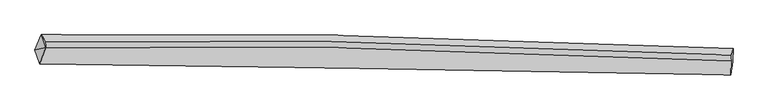
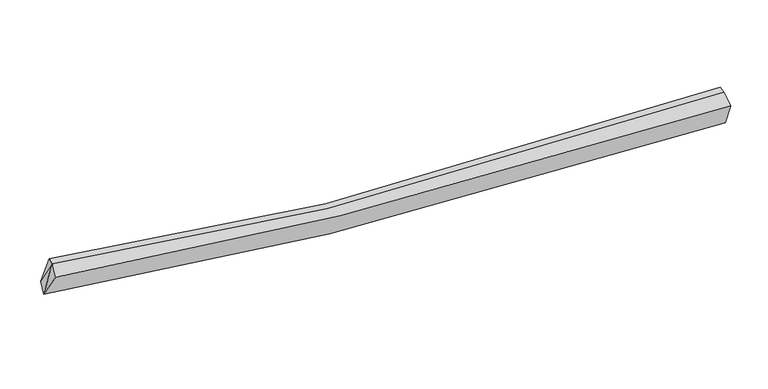
"""IFC4 building model written with IfcOpenShell, lengths in millimetres: proxy geometry."""

from ifc_helpers import new_model, si_unit, frame, origin, place, context, project, spatial, source, transform, mapped, element, save
from ifc_brep_helpers import plane_surface, spline_curve, spline_surface, advanced_brep


def generic_models_9edee66a(model_context):
    return source(origin(), model_context, "Body", "AdvancedBrep", [
        advanced_brep(
        [(-7840.3591749, -1995.7855062, 3381.4137292), (-7686.7676445, -1612.9483852, 3444.5730223), (9509.0023196, -1951.446327, 2322.5847599), (9502.9723074, -2279.5496564, 2128.1817598), (-7716.6600329, -2336.5091355, 4001.120624), (9452.6713803, -2613.8627659, 2817.8360865), (-7574.3345681, -1933.96674, 4071.415123), (9461.8281609, -2270.3452291, 2964.206213), (-7568.7765345, -1778.5807054, 4109.1548701), (9467.3861946, -2114.9591944, 3001.9459601)],
        [
            (0, 1),
            (1, 2, spline_curve(3, [(-7686.7676445, -1612.9483852, 3444.5730223), (-5331.043666017, -1582.807061995, 2988.707666123), (-2954.019205924, -1585.20810738, 2658.309392255), (2758.528729032, -1668.43950062, 2170.185689478), (6113.427589348, -1778.871102863, 2126.587875383), (9509.0023196, -1951.446327, 2322.5847599)], [4, 2, 4], [0.0, 23.8783263381126, 56.875564007313365])),
            (2, 3),
            (3, 0, spline_curve(3, [(9502.9723074, -2279.5496564, 2128.1817598), (6156.580966309, -2213.656752059, 2111.978910605), (2805.774984656, -2154.155056509, 2245.785663303), (-2977.438362596, -2062.611371631, 2734.984647909), (-5407.742874556, -2027.525016134, 3018.921885837), (-7840.3591749, -1995.7855062, 3381.4137292)], [4, 2, 4], [0.0, 32.997237669200764, 56.875564007313365])),
            (4, 0),
            (3, 5),
            (5, 4, spline_curve(3, [(9452.6713803, -2613.8627659, 2817.8360865), (6162.17761036, -2549.240928418, 2800.732924988), (2854.361700517, -2490.992114206, 2926.313780172), (-2876.99993254, -2401.576606014, 3388.707514928), (-5292.294493301, -2367.374209446, 3657.554838641), (-7716.6600329, -2336.5091355, 4001.120624)], [4, 2, 4], [0.0, 32.95963578605903, 56.81075166353892])),
            (6, 4),
            (5, 7),
            (7, 6, spline_curve(3, [(9461.8281609, -2270.3452291, 2964.206213), (6120.735927447, -2091.18490657, 2766.733269726), (2806.618203793, -1978.226449732, 2808.053180056), (-2859.253770465, -1897.634629161, 3290.868483423), (-5223.85695734, -1898.466922744, 3618.618210704), (-7574.3345681, -1933.96674, 4071.415123)], [4, 2, 4], [0.0, 32.67342357891665, 56.31742307433416])),
            (8, 6),
            (7, 9),
            (9, 8, spline_curve(3, [(9467.3861946, -2114.9591944, 3001.9459601), (6126.01815575, -1943.509550504, 2802.600267957), (2811.784640414, -1833.788303439, 2843.133932949), (-2854.011114417, -1751.065606083, 3326.466778342), (-5218.498509058, -1748.66069117, 3655.002749817), (-7568.7765345, -1778.5807054, 4109.1548701)], [4, 2, 4], [0.0, 32.57016810000359, 56.13944715832265])),
            (1, 8),
            (9, 2),
            (1, 6),
            (6, 0),
        ],
        [
            spline_surface(3, 3, [[(-7840.3591749, -1995.7855062, 3381.4137292), (-5407.742874747, -2027.525015852, 3018.921885796), (-2977.438362607, -2062.611371342, 2734.984648217), (2805.774984672, -2154.155056909, 2245.785662877), (6156.580966637, -2213.656751522, 2111.978910652), (9502.9723074, -2279.5496564, 2128.1817598)], [(-7789.161998113, -1868.17313253, 3402.466826885), (-5382.176471944, -1879.285697851, 3008.850479168), (-2969.631976988, -1903.476949968, 2709.426229563), (2790.026232719, -1992.249871576, 2220.585671759), (6142.196507625, -2068.728201974, 2116.848565681), (9504.982311458, -2170.181879966, 2192.982759847)], [(-7737.964821287, -1740.56075887, 3423.519924615), (-5356.610069103, -1731.046379862, 2998.779072585), (-2961.825591379, -1744.342528565, 2683.867810891), (2774.277480757, -1830.344686214, 2195.385680623), (6127.81204864, -1923.79965233, 2121.718220668), (9506.992315542, -2060.814103434, 2257.783759853)], [(-7686.7676445, -1612.9483852, 3444.5730223), (-5331.0436663, -1582.807061861, 2988.707665957), (-2954.019205759, -1585.208107191, 2658.309392236), (2758.528728804, -1668.439500881, 2170.185689505), (6113.427589627, -1778.871102782, 2126.587875697), (9509.0023196, -1951.446327, 2322.5847599)]], [4, 4], [4, 2, 4], [0.0, 1.592323655098985], [0.0, 23.8783263381126, 56.875564007313365]),
            spline_surface(3, 3, [[(-7716.6600329, -2336.5091355, 4001.120624), (-5292.294493415, -2367.374209528, 3657.55483825), (-2876.999932163, -2401.576605965, 3388.70751467), (2854.361699996, -2490.992114275, 2926.313780529), (6162.177609818, -2549.240927949, 2800.732924922), (9452.6713803, -2613.8627659, 2817.8360865)], [(-7757.89308023, -2222.934592418, 3794.551659075), (-5330.777287189, -2254.091144988, 3444.677187441), (-2910.479408986, -2288.588194415, 3170.799892527), (2838.166128213, -2378.713095144, 2699.471074653), (6160.312062095, -2437.379535795, 2571.148253499), (9469.438356004, -2502.425062722, 2587.951310934)], [(-7799.12612757, -2109.360049282, 3587.982694125), (-5369.260080973, -2140.808080393, 3231.799536605), (-2943.958885785, -2175.599782892, 2952.89227036), (2821.970556454, -2266.43407604, 2472.628368753), (6158.44651436, -2325.518143676, 2341.563582075), (9486.205331696, -2390.987359578, 2358.066535366)], [(-7840.3591749, -1995.7855062, 3381.4137292), (-5407.742874747, -2027.525015852, 3018.921885796), (-2977.438362607, -2062.611371342, 2734.984648217), (2805.774984672, -2154.155056909, 2245.785662877), (6156.580966637, -2213.656751522, 2111.978910652), (9502.9723074, -2279.5496564, 2128.1817598)]], [4, 4], [4, 2, 4], [0.0, 2.473668058289162], [0.0, 23.85111587747989, 56.81075166353892]),
            spline_surface(3, 3, [[(-7574.3345681, -1933.96674, 4071.415123), (-5223.85695756, -1898.466922432, 3618.618210712), (-2859.253770855, -1897.634628785, 3290.868483687), (2806.618204332, -1978.226450252, 2808.053179691), (6120.735927259, -2091.184906933, 2766.733270016), (9461.8281609, -2270.3452291, 2964.206213)], [(-7621.776389688, -2068.147538499, 4047.983623331), (-5246.6694695, -2054.769351464, 3631.597086556), (-2865.169157952, -2065.615287836, 3323.481494024), (2822.532702892, -2149.148338251, 2847.47337998), (6134.549821437, -2243.870247283, 2778.06648831), (9458.775900691, -2384.851074712, 2915.416170825)], [(-7669.218211312, -2202.328337001, 4024.552123669), (-5269.481981475, -2211.071780497, 3644.575962406), (-2871.084545066, -2233.595946914, 3356.094504333), (2838.447201435, -2320.070226276, 2886.893580241), (6148.36371564, -2396.555587599, 2789.399706628), (9455.723640509, -2499.356920288, 2866.626128675)], [(-7716.6600329, -2336.5091355, 4001.120624), (-5292.294493415, -2367.374209528, 3657.55483825), (-2876.999932163, -2401.576605965, 3388.70751467), (2854.361699996, -2490.992114275, 2926.313780529), (6162.177609818, -2549.240927949, 2800.732924922), (9452.6713803, -2613.8627659, 2817.8360865)]], [4, 4], [4, 2, 4], [0.0, 1.6987868856941626], [0.0, 23.64399949541751, 56.31742307433416]),
            spline_surface(3, 3, [[(-7568.7765345, -1778.5807054, 4109.1548701), (-5218.498509037, -1748.660690985, 3655.002750051), (-2854.011114696, -1751.065606429, 3326.46677829), (2811.784640801, -1833.788302961, 2843.133933022), (6126.018156193, -1943.509550451, 2802.600268083), (9467.3861946, -2114.9591944, 3001.9459601)], [(-7570.629212376, -1830.376050268, 4096.574954395), (-5220.284658554, -1798.596101468, 3642.874570267), (-2855.758666758, -1799.921947228, 3314.600680082), (2810.062495302, -1881.934352071, 2831.440348572), (6124.257413239, -1992.734669246, 2790.644602056), (9465.533516724, -2166.754539268, 2989.366044395)], [(-7572.481890224, -1882.171395132, 4083.995038705), (-5222.070808043, -1848.531511948, 3630.746390496), (-2857.506218793, -1848.778287986, 3302.734581894), (2808.34034983, -1930.080401141, 2819.746764141), (6122.496670213, -2041.959788137, 2778.688936043), (9463.680838776, -2218.549884232, 2976.786128705)], [(-7574.3345681, -1933.96674, 4071.415123), (-5223.85695756, -1898.466922432, 3618.618210712), (-2859.253770855, -1897.634628785, 3290.868483687), (2806.618204332, -1978.226450252, 2808.053179691), (6120.735927259, -2091.184906933, 2766.733270016), (9461.8281609, -2270.3452291, 2964.206213)]], [4, 4], [4, 2, 4], [0.0, 0.4912603597049542], [0.0, 23.56927905831906, 56.13944715832265]),
            spline_surface(3, 3, [[(-7686.7676445, -1612.9483852, 3444.5730223), (-5331.0436663, -1582.807061861, 2988.707665957), (-2954.019205759, -1585.208107191, 2658.309392236), (2758.528728804, -1668.439500881, 2170.185689505), (6113.427589627, -1778.871102782, 2126.587875697), (9509.0023196, -1951.446327, 2322.5847599)], [(-7647.437274493, -1668.159158585, 3666.100304913), (-5293.528613873, -1638.091604887, 3210.806027334), (-2920.683175398, -1640.493940265, 2881.028520904), (2776.280699476, -1723.555768235, 2394.501770661), (6117.624445138, -1833.750585338, 2351.925339825), (9495.130277922, -2005.950616133, 2549.038493299)], [(-7608.106904507, -1723.369932015, 3887.627587487), (-5256.013561464, -1693.376147958, 3432.904388674), (-2887.347145058, -1695.779773356, 3103.747649622), (2794.032670128, -1778.672035607, 2618.817851866), (6121.821300682, -1888.630067895, 2577.262803956), (9481.258236278, -2060.454905267, 2775.492226701)], [(-7568.7765345, -1778.5807054, 4109.1548701), (-5218.498509037, -1748.660690985, 3655.002750051), (-2854.011114696, -1751.065606429, 3326.46677829), (2811.784640801, -1833.788302961, 2843.133933022), (6126.018156193, -1943.509550451, 2802.600268083), (9467.3861946, -2114.9591944, 3001.9459601)]], [4, 4], [4, 2, 4], [0.0, 2.2795496156356974], [0.0, 23.679508532005435, 56.40200171919801]),
            plane_surface(frame((9478.7720726, -2246.0326346, 2646.9509559), z_axis=(0.9976265823917067, -0.04773655741565154, 0.04962280918635568), x_axis=(-0.024515258050920356, -0.9196923465582033, -0.3918736911365222))),
            plane_surface(frame((-7609.9595824, -1775.1652768, 3875.0476718), z_axis=(-0.984871042104319, -0.006827215784670548, 0.17315432292894778), x_axis=(0.15765046009561184, -0.45012280150055645, 0.8789401549598997))),
            plane_surface(frame((-7710.4512586, -2088.7537939, 3817.9831587), z_axis=(-0.907669895695683, 0.26394137472830836, 0.3262978871435102), x_axis=(0.17229851885535652, -0.4745883901368959, 0.8631796338813376))),
            plane_surface(frame((-7700.4871292, -1847.5668771, 3632.4672915), z_axis=(-0.8968252655102551, 0.30729892646315354, 0.3182323254118823), x_axis=(-0.36805554432583226, -0.9174029624533134, -0.15135032465409504))),
        ],
        [
            (0, [[1, 2, 3, 4]]),
            (1, [[5, -4, 6, 7]]),
            (2, [[8, -7, 9, 10]]),
            (3, [[11, -10, 12, 13]]),
            (4, [[14, -13, 15, -2]]),
            (5, [[-9, -6, -3, -15, -12]]),
            (6, [[16, -11, -14]]),
            (7, [[-5, -8, 17]]),
            (8, [[-1, -17, -16]]),
        ],
    ),
    ])


if __name__ == "__main__":
    model = new_model("IFC4")
    model_context = context("Model", 3, world=origin())
    ifc_project = project(units=[si_unit("LENGTHUNIT", "METRE", prefix="MILLI")], contexts=[model_context])
    site = spatial("IfcSite", under=ifc_project)
    building = spatial("IfcBuilding", under=site)
    placement = place(None, origin())
    generic_models_shape = generic_models_9edee66a(model_context)
    element("IfcBuildingElementProxy", 1, Name="Generic Models", at=placement, inside=building, context=model_context, shape_type="MappedRepresentation", body=[
        mapped(generic_models_shape, transform((0.0, 0.0, 0.0), x_axis=(1.0, 0.0, 0.0), y_axis=(0.0, 1.0, 0.0), z_axis=(0.0, 0.0, 1.0))),
    ])
    save(model, "model.ifc")
